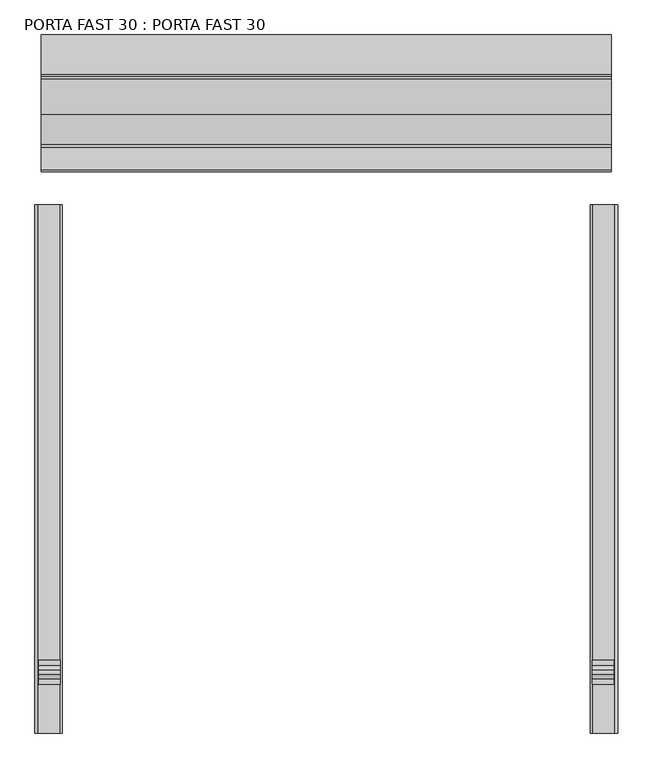
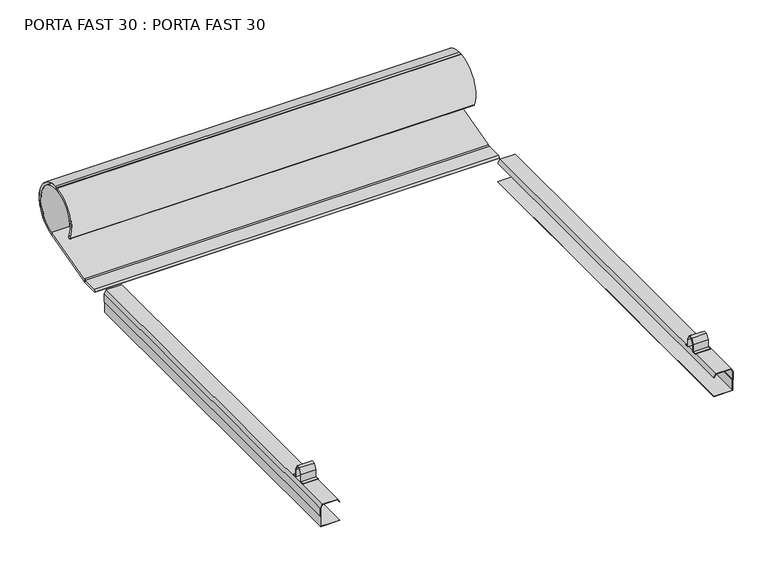
"""IFC4 building model written with IfcOpenShell, lengths in millimetres: proxy geometry, PORTA FAST 30 : PORTA FAST 30."""

from ifc_helpers import new_model, si_unit, point, frame, frame_2d, origin, place, context, project, spatial, polyline, circle_curve, trimmed, segment, composite_curve, outline, extrude, source, transform, mapped, element, save


def porta_fast_30_porta_fast_30_cb378a4c(model_context):
    return source(origin(), model_context, "Body", "SweptSolid", [
        extrude(outline(polyline([(105.8018984, 1103.6), (123.8025, 1093.2076952), (123.8025, 1010.3926522), (105.8018984, 1000.0), (105.8018984, 1002.3094011), (121.8025, 1011.5473527), (121.8025, 1092.0529753), (105.2660155, 1101.6), (60.8018984, 1101.6), (60.8018984, 1099.6), (2.0, 1099.6), (2.0, 1000.0), (0.0, 1000.0), (0.0, 1101.6), (58.8018984, 1101.6), (58.8018984, 1103.6), (105.8018984, 1103.6)])), frame((0.0, 0.0, 0.0), z_axis=(0.0, 1.0, 0.0), x_axis=(0.0, 0.0, 1.0)), (0.0, 0.0, 1.0), 2000.0),
        extrude(outline(polyline([(105.8018984, -1103.6), (58.8018984, -1103.6), (58.8018984, -1101.6), (0.0, -1101.6), (0.0, -1000.0), (2.0, -1000.0), (2.0, -1099.6), (60.8018984, -1099.6), (60.8018984, -1101.6), (105.2660155, -1101.6), (121.8025, -1092.0529753), (121.8025, -1011.5473527), (105.8018984, -1002.3094011), (105.8018984, -1000.0), (123.8025, -1010.3926522), (123.8025, -1093.2076952), (105.8018984, -1103.6)])), frame((0.0, 0.0, 0.0), z_axis=(0.0, 1.0, 0.0), x_axis=(0.0, 0.0, 1.0)), (0.0, 0.0, 1.0), 2000.0),
        extrude(outline(polyline([(204.9999525, 125.8025), (204.9999525, 165.8025), (219.9999525, 193.8025), (239.9999525, 193.8025), (254.9999525, 165.8025), (254.9999525, 125.8025), (274.9999525, 125.8025), (274.9999525, 123.8025), (252.9999525, 123.8025), (252.9999525, 165.300532), (238.8024696, 191.8025), (221.1974353, 191.8025), (206.9999525, 165.300532), (206.9999525, 123.8025), (184.9999525, 123.8025), (184.9999525, 125.8025), (204.9999525, 125.8025)])), frame((1008.4, 0.0, 0.0), z_axis=(1.0, 0.0, 0.0), x_axis=(0.0, 1.0, 0.0)), (0.0, 0.0, 1.0), 80.0),
        extrude(outline(polyline([(204.9999525, 125.8025), (204.9999525, 165.8025), (219.9999525, 193.8025), (239.9999525, 193.8025), (254.9999525, 165.8025), (254.9999525, 125.8025), (274.9999525, 125.8025), (274.9999525, 123.8025), (252.9999525, 123.8025), (252.9999525, 165.300532), (238.8024696, 191.8025), (221.1974353, 191.8025), (206.9999525, 165.300532), (206.9999525, 123.8025), (184.9999525, 123.8025), (184.9999525, 125.8025), (204.9999525, 125.8025)])), frame((-1088.4, 0.0, 0.0), z_axis=(1.0, 0.0, 0.0), x_axis=(0.0, 1.0, 0.0)), (0.0, 0.0, 1.0), 80.0),
        extrude(outline(composite_curve([segment(polyline([(2531.9601488, 110.3499621), (2232.0000275, 28.5557469)]), True, "CONTINUOUS"), segment(trimmed(circle_curve(frame_2d((2217.3956876, 82.0063436)), 55.409864), [point((2232.0000275, 28.5557469))], [point((2217.3956876, 26.5964796))], False, "CARTESIAN"), True, "CONTINUOUS"), segment(polyline([(2217.3956876, 26.5964796), (2130.1, 26.5964796), (2130.1, 27.5965188)]), True, "CONTINUOUS"), segment(trimmed(circle_curve(frame_2d((2132.1415759, 34.4995808)), 7.1986316), [point((2130.1, 27.5965188))], [point((2132.1415759, 41.6982124))], False, "CARTESIAN"), True, "CONTINUOUS"), segment(polyline([(2132.1415759, 41.6982124), (2217.5892922, 41.6982124)]), True, "CONTINUOUS"), segment(trimmed(circle_curve(frame_2d((2217.4503467, 82.0065572)), 40.3085843), [point((2217.5892922, 41.6982124))], [point((2228.0559285, 43.1182094))], True, "CARTESIAN"), True, "CONTINUOUS"), segment(polyline([(2228.0559285, 43.1182094), (2527.9926491, 124.9165786)]), True, "CONTINUOUS"), segment(trimmed(circle_curve(frame_2d((2492.4458211, 255.2590182)), 135.1026592), [point((2527.9926491, 124.9165786))], [point((2492.6675431, 390.3614955))], True, "CARTESIAN"), True, "CONTINUOUS"), segment(trimmed(circle_curve(frame_2d((2492.6675433, 397.9101361)), 7.5486406), [point((2492.6675431, 390.3614955))], [point((2492.667543, 405.4587767))], False, "CARTESIAN"), True, "CONTINUOUS"), segment(trimmed(circle_curve(frame_2d((2492.4458211, 255.2590182)), 150.1999222), [point((2492.667543, 405.4587767))], [point((2531.9601488, 110.3499621))], False, "CARTESIAN"), True, "CONTINUOUS")], self_intersect=False), holes=[composite_curve([segment(trimmed(circle_curve(frame_2d((2217.4503467, 82.0065572)), 41.3085843), [point((2228.3190383, 42.1534435))], [point((2217.3096882, 40.6982124))], False, "CARTESIAN"), True, "CONTINUOUS"), segment(polyline([(2217.3096882, 40.6982124), (2132.1415759, 40.6982124)]), True, "CONTINUOUS"), segment(trimmed(circle_curve(frame_2d((2132.1415759, 34.4995808)), 6.1986316), [point((2132.1415759, 40.6982124))], [point((2132.1415759, 28.3009492))], True, "CARTESIAN"), True, "CONTINUOUS"), segment(polyline([(2132.1415759, 28.3009492), (2226.123136, 28.3009492)]), True, "CONTINUOUS"), segment(trimmed(circle_curve(frame_2d((2217.3961876, 82.0063301)), 54.4098113), [point((2226.123136, 28.3009492))], [point((2231.7371733, 29.5204873))], True, "CARTESIAN"), True, "CONTINUOUS"), segment(polyline([(2231.7371733, 29.5204873), (2531.6971131, 111.3147482)]), True, "CONTINUOUS"), segment(trimmed(circle_curve(frame_2d((2492.4458211, 255.2590182)), 149.1999222), [point((2531.6971131, 111.3147482))], [point((2492.6668304, 404.4587767))], True, "CARTESIAN"), True, "CONTINUOUS"), segment(trimmed(circle_curve(frame_2d((2492.6675433, 397.9101361)), 6.5486406), [point((2492.6668304, 404.4587767))], [point((2492.6463962, 391.3615296))], True, "CARTESIAN"), True, "CONTINUOUS"), segment(trimmed(circle_curve(frame_2d((2492.4458211, 255.2590182)), 136.1026592), [point((2492.6463962, 391.3615296))], [point((2528.2557588, 123.9518127))], False, "CARTESIAN"), True, "CONTINUOUS"), segment(polyline([(2528.2557588, 123.9518127), (2228.3190383, 42.1534435)]), True, "CONTINUOUS")], self_intersect=False)]), frame((-1080.0, 0.0, 0.0), z_axis=(1.0, 0.0, 0.0), x_axis=(0.0, 1.0, 0.0)), (0.0, 0.0, 1.0), 2160.0),
        extrude(outline(composite_curve([segment(trimmed(circle_curve(frame_2d((2492.4458211, 255.2590182)), 150.1999222), [point((2356.4627602, 191.4732536))], [point((2476.7258162, 404.6340431))], False, "CARTESIAN"), True, "CONTINUOUS"), segment(trimmed(circle_curve(frame_2d((2477.0956188, 397.0882588)), 7.5548405), [point((2476.7258162, 404.6340431))], [point((2477.9085332, 389.5772812))], False, "CARTESIAN"), True, "CONTINUOUS"), segment(trimmed(circle_curve(frame_2d((2492.4458211, 255.2590182)), 135.1026592), [point((2477.9085332, 389.5772812))], [point((2370.1310231, 197.8846448))], True, "CARTESIAN"), True, "CONTINUOUS"), segment(trimmed(circle_curve(frame_2d((2363.1168148, 195.0628499)), 7.560532), [point((2370.1310231, 197.8846448))], [point((2356.4627602, 191.4732536))], False, "CARTESIAN"), True, "CONTINUOUS")], self_intersect=False), holes=[composite_curve([segment(trimmed(circle_curve(frame_2d((2363.1168148, 195.0628499)), 6.560532), [point((2357.3557884, 191.9241949))], [point((2369.2133157, 197.4863305))], True, "CARTESIAN"), True, "CONTINUOUS"), segment(trimmed(circle_curve(frame_2d((2492.4458211, 255.2590182)), 136.1026592), [point((2369.2133157, 197.4863305))], [point((2477.8009314, 390.5714753))], False, "CARTESIAN"), True, "CONTINUOUS"), segment(trimmed(circle_curve(frame_2d((2477.0956188, 397.0882588)), 6.5548405), [point((2477.8009314, 390.5714753))], [point((2476.8017406, 403.6365081))], True, "CARTESIAN"), True, "CONTINUOUS"), segment(trimmed(circle_curve(frame_2d((2492.4458211, 255.2590182)), 149.1999222), [point((2476.8017406, 403.6365081))], [point((2357.3557884, 191.9241949))], True, "CARTESIAN"), True, "CONTINUOUS")], self_intersect=False)]), frame((-1080.0, 0.0, 0.0), z_axis=(1.0, 0.0, 0.0), x_axis=(0.0, 1.0, 0.0)), (0.0, 0.0, 1.0), 2160.0),
    ])


if __name__ == "__main__":
    model = new_model("IFC4")
    model_context = context("Model", 3, world=origin())
    ifc_project = project(units=[si_unit("LENGTHUNIT", "METRE", prefix="MILLI")], contexts=[model_context])
    site = spatial("IfcSite", under=ifc_project)
    building = spatial("IfcBuilding", under=site)
    placement = place(None, origin())
    porta_fast_30_porta_fast_30_shape = porta_fast_30_porta_fast_30_cb378a4c(model_context)
    element("IfcBuildingElementProxy", 1, Name="PORTA FAST 30 : PORTA FAST 30", ObjectType="PORTA FAST 30 : PORTA FAST 30", at=placement, inside=building, context=model_context, shape_type="MappedRepresentation", body=[
        mapped(porta_fast_30_porta_fast_30_shape, transform((0.0, 0.0, 0.0), x_axis=(1.0, 0.0, 0.0), y_axis=(0.0, 1.0, 0.0), z_axis=(0.0, 0.0, 1.0))),
    ])
    save(model, "model.ifc")
